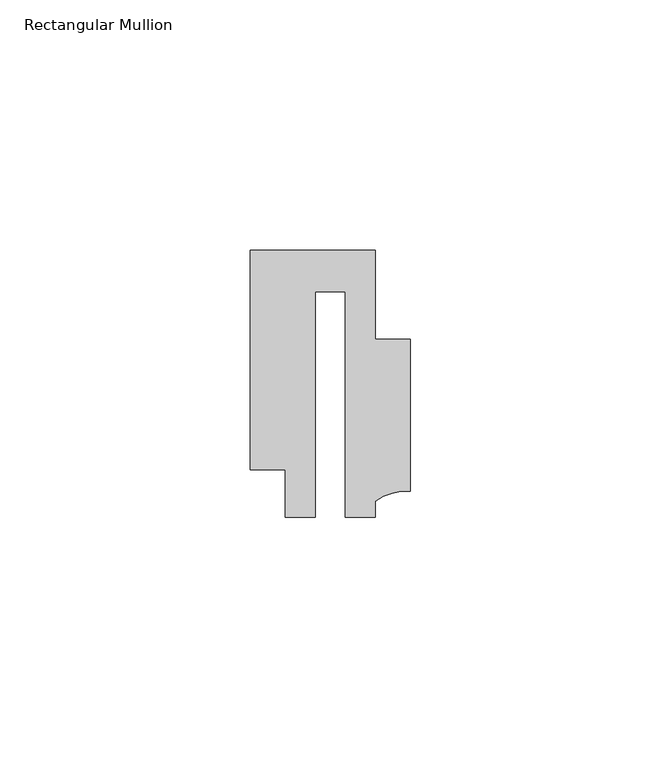
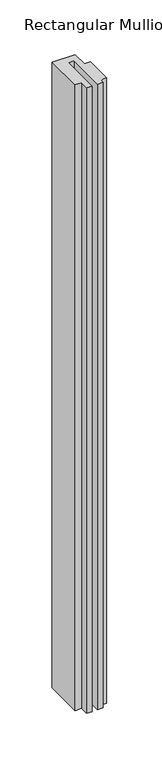
"""IFC4 building model written with IfcOpenShell, lengths in millimetres: member geometry, Rectangular Mullion."""

from ifc_helpers import new_model, si_unit, point, frame, frame_2d, origin, place, context, project, spatial, polyline, circle_curve, trimmed, segment, composite_curve, outline, extrude, source, transform, mapped, element, save


def rectangular_mullion_ea2609e8(model_context):
    return source(origin(), model_context, "Body", "SweptSolid", [
        extrude(outline(composite_curve([segment(polyline([(15.9999391, 14.9953356), (15.9999391, -15.3837352)]), True, "CONTINUOUS"), segment(trimmed(circle_curve(frame_2d((15.1098019, -25.802169)), 10.4563907), [point((15.9999391, -15.3837352))], [point((8.9999842, -17.3165203))], True, "CARTESIAN"), True, "CONTINUOUS"), segment(polyline([(8.9999842, -17.3165203), (8.9999842, -20.5039877), (2.9999676, -20.5039877), (2.9999676, 24.5130805), (-2.9999659, 24.5130805), (-2.9999659, -20.5039877), (-8.9999842, -20.5039877), (-8.9999842, -11.0039877), (-15.9999391, -11.0039877), (-15.9999391, 32.7960123), (9.0, 32.7960123), (9.0, 14.9953356), (15.9999391, 14.9953356)]), True, "CONTINUOUS")], self_intersect=False)), frame((0.0, 0.0, -727.478877), z_axis=(0.0, 0.0, 1.0), x_axis=(1.0, 0.0, 0.0)), (0.0, 0.0, 1.0), 727.478877),
    ])


if __name__ == "__main__":
    model = new_model("IFC4")
    model_context = context("Model", 3, world=origin())
    ifc_project = project(units=[si_unit("LENGTHUNIT", "METRE", prefix="MILLI")], contexts=[model_context])
    site = spatial("IfcSite", under=ifc_project)
    building = spatial("IfcBuilding", under=site)
    placement = place(None, origin())
    rectangular_mullion_shape = rectangular_mullion_ea2609e8(model_context)
    element("IfcMember", 1, ObjectType="Rectangular Mullion", at=placement, inside=building, context=model_context, shape_type="MappedRepresentation", body=[
        mapped(rectangular_mullion_shape, transform((0.0, 0.0, 0.0), x_axis=(1.0, 0.0, 0.0), y_axis=(0.0, 1.0, 0.0), z_axis=(0.0, 0.0, 1.0))),
    ])
    save(model, "model.ifc")
